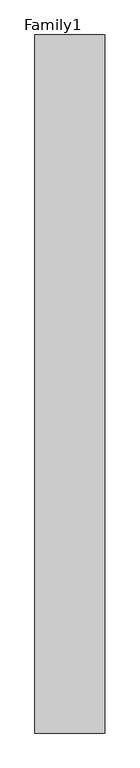
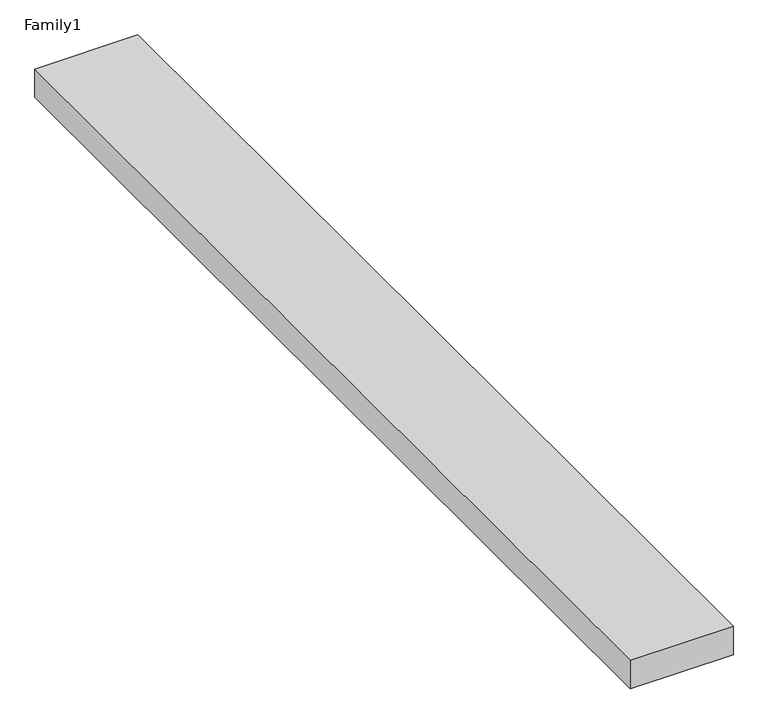
"""IFC4 building model written with IfcOpenShell, lengths in millimetres: proxy geometry, Family1."""

from ifc_helpers import new_model, si_unit, origin, origin_with_axes, place, context, project, spatial, polyline, outline, extrude, source, transform, mapped, element, save


def family1_b363b715(model_context):
    return source(origin(), model_context, "Body", "SweptSolid", [
        extrude(outline(polyline([(5000.0, 0.0), (0.0, 0.0), (0.0, 50000.0), (5000.0, 50000.0), (5000.0, 0.0)])), origin_with_axes(), (0.0, 0.0, 1.0), 1458.0),
    ])


if __name__ == "__main__":
    model = new_model("IFC4")
    model_context = context("Model", 3, world=origin())
    ifc_project = project(units=[si_unit("LENGTHUNIT", "METRE", prefix="MILLI")], contexts=[model_context])
    site = spatial("IfcSite", under=ifc_project)
    building = spatial("IfcBuilding", under=site)
    placement = place(None, origin())
    family1_shape = family1_b363b715(model_context)
    element("IfcBuildingElementProxy", 1, Name="Family1", ObjectType="Family1", at=placement, inside=building, context=model_context, shape_type="MappedRepresentation", body=[
        mapped(family1_shape, transform((0.0, 0.0, 0.0), x_axis=(1.0, 0.0, 0.0), y_axis=(0.0, 1.0, 0.0), z_axis=(0.0, 0.0, 1.0))),
    ])
    save(model, "model.ifc")
